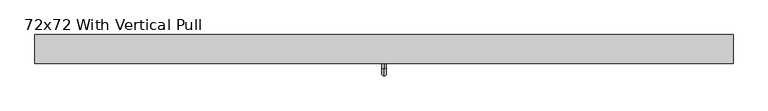
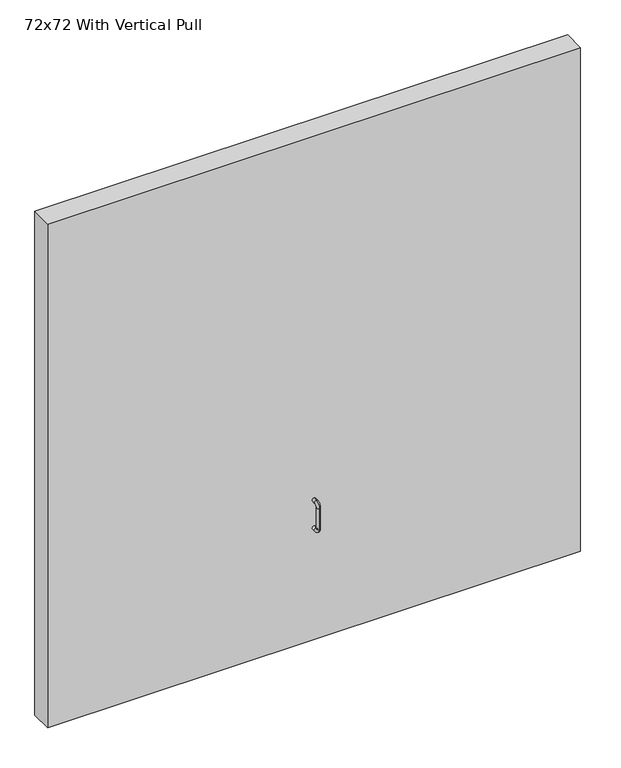
"""IFC4 building model written with IfcOpenShell, lengths in millimetres: furniture geometry, 72x72 With Vertical Pull."""

import ifcopenshell
import ifcopenshell.guid

model = None  # the IFC model being written
_history = None  # IfcOwnerHistory: only IFC2X3 demands one
_inside = {}  # id of a spatial element -> (the spatial element, [elements in it])
_under = {}  # id of a project, library or spatial element -> (it, [spatial elements below it])
_declared = {}  # id of a project -> (the project, [libraries it declares])
_typed = {}  # id of a type object -> (the type object, [elements of that type])
_made_of = {}  # id of a material, layer set ... -> (it, [elements and type objects made of it])


def new_model(schema):
    """Start an empty IFC model of exactly this schema.

    Asked for "IFC4X3", IfcOpenShell would pick the latest addendum, in which some entities
    have other attributes; the version numbers below select the first issue.
    IFC2X3 requires an IfcOwnerHistory on every rooted entity: one is made here for all.
    """
    global model, _history
    if schema == "IFC4X3":
        model = ifcopenshell.file(schema_version=(4, 3, 0, 0))
    else:
        model = ifcopenshell.file(schema=schema)
    _inside.clear()
    _under.clear()
    _declared.clear()
    _typed.clear()
    _made_of.clear()
    _history = None
    if model.schema == "IFC2X3":
        org = make("IfcOrganization", Name="unknown")
        user = make(
            "IfcPersonAndOrganization",
            ThePerson=make("IfcPerson", FamilyName="unknown"),
            TheOrganization=org,
        )
        app = make(
            "IfcApplication",
            ApplicationDeveloper=org,
            Version="unknown",
            ApplicationFullName="unknown",
            ApplicationIdentifier="unknown",
        )
        _history = make(
            "IfcOwnerHistory",
            OwningUser=user,
            OwningApplication=app,
            ChangeAction="ADDED",
            CreationDate=0,
        )
    return model


def make(cls, **values):
    """One entity of the class cls with the attributes given. An attribute that is None is left unset."""
    return model.create_entity(
        cls, **{name: value for name, value in values.items() if value is not None}
    )


def rooted(cls, **values):
    """An entity with a GlobalId (a new one), such as an element, a storey or a relation."""
    return make(cls, GlobalId=ifcopenshell.guid.new(), OwnerHistory=_history, **values)


def si_unit(unit_type, name, prefix=None):
    """IfcSIUnit, for example si_unit("LENGTHUNIT", "METRE", prefix="MILLI")."""
    return make("IfcSIUnit", UnitType=unit_type, Prefix=prefix, Name=name)


def assignment(units):
    """IfcUnitAssignment: the units of a project."""
    return None if units is None else make("IfcUnitAssignment", Units=units)


def point(xyz):
    """IfcCartesianPoint."""
    return None if xyz is None else make("IfcCartesianPoint", Coordinates=xyz)


def direction(xyz):
    """IfcDirection."""
    return None if xyz is None else make("IfcDirection", DirectionRatios=xyz)


def frame(location, z_axis=None, x_axis=None):
    """IfcAxis2Placement3D, a coordinate frame: its origin and axes. An axis left out is left unset."""
    return make(
        "IfcAxis2Placement3D",
        Location=point(location),
        Axis=direction(z_axis),
        RefDirection=direction(x_axis),
    )


def origin():
    """The frame at (0, 0, 0) with its axes left unset."""
    return frame((0.0, 0.0, 0.0))


def origin_with_axes():
    """The frame at (0, 0, 0) with the z axis (0, 0, 1) and the x axis (1, 0, 0) written out."""
    return frame((0.0, 0.0, 0.0), z_axis=(0.0, 0.0, 1.0), x_axis=(1.0, 0.0, 0.0))


def place(relative_to, where):
    """IfcLocalPlacement: puts the frame where relative to a parent placement (None: the world)."""
    return make(
        "IfcLocalPlacement", PlacementRelTo=relative_to, RelativePlacement=where
    )


def context(
    kind, dimensions, precision=None, world=None, true_north=None, identifier=None
):
    """IfcGeometricRepresentationContext, for example the 3D "Model" context."""
    return make(
        "IfcGeometricRepresentationContext",
        ContextIdentifier=identifier,
        ContextType=kind,
        CoordinateSpaceDimension=dimensions,
        Precision=precision,
        WorldCoordinateSystem=world,
        TrueNorth=true_north,
    )


def project(units=None, contexts=None):
    """IfcProject with its units and contexts."""
    return rooted(
        "IfcProject",
        Name="project",
        RepresentationContexts=contexts,
        UnitsInContext=assignment(units),
    )


def spatial(cls, under=None, at=None, **own):
    """A site, building, storey or space (cls), placed at a placement, below another one or the project."""
    s = rooted(cls, ObjectPlacement=at, **own)
    if under is not None:
        _under.setdefault(under.id(), (under, []))[1].append(s)
    return s


def polyline(points):
    """IfcPolyline through the points."""
    return make("IfcPolyline", Points=[point(p) for p in points])


def circle_curve(where, radius):
    """IfcCircle in the frame where."""
    return make("IfcCircle", Position=where, Radius=radius)


def ellipse_curve(where, semi_axis1, semi_axis2):
    """IfcEllipse in the frame where."""
    return make(
        "IfcEllipse", Position=where, SemiAxis1=semi_axis1, SemiAxis2=semi_axis2
    )


def trimmed(basis, trim1, trim2, sense, master):
    """IfcTrimmedCurve: the piece of a basis curve between two trims."""
    return make(
        "IfcTrimmedCurve",
        BasisCurve=basis,
        Trim1=trim1,
        Trim2=trim2,
        SenseAgreement=sense,
        MasterRepresentation=master,
    )


def outline(outer, holes=None, kind="AREA"):
    """IfcArbitraryClosedProfileDef: a profile drawn as a closed curve; with holes, ...WithVoids."""
    if holes is None:
        return make("IfcArbitraryClosedProfileDef", ProfileType=kind, OuterCurve=outer)
    return make(
        "IfcArbitraryProfileDefWithVoids",
        ProfileType=kind,
        OuterCurve=outer,
        InnerCurves=holes,
    )


def extrude(swept, where, along, depth):
    """IfcExtrudedAreaSolid: the profile swept, set in the frame where, extruded along a direction by depth."""
    return make(
        "IfcExtrudedAreaSolid",
        SweptArea=swept,
        Position=where,
        ExtrudedDirection=direction(along),
        Depth=depth,
    )


def shape(context_of_items, identifier, shape_type, items):
    """IfcShapeRepresentation: the items that make up one representation, for example the "Body"."""
    return make(
        "IfcShapeRepresentation",
        ContextOfItems=context_of_items,
        RepresentationIdentifier=identifier,
        RepresentationType=shape_type,
        Items=items,
    )


def source(mapping_origin, context_of_items, identifier, shape_type, items):
    """IfcRepresentationMap: a shape defined once, which mapped items show again and again."""
    return make(
        "IfcRepresentationMap",
        MappingOrigin=mapping_origin,
        MappedRepresentation=shape(context_of_items, identifier, shape_type, items),
    )


def transform(
    local_origin,
    x_axis=None,
    y_axis=None,
    z_axis=None,
    scale=None,
    scale2=None,
    scale3=None,
    uniform=True,
):
    """IfcCartesianTransformationOperator3D, or its non-uniform kind. x_axis, y_axis, z_axis: its Axis1, 2, 3."""
    if uniform:
        return make(
            "IfcCartesianTransformationOperator3D",
            Axis1=direction(x_axis),
            Axis2=direction(y_axis),
            LocalOrigin=point(local_origin),
            Scale=scale,
            Axis3=direction(z_axis),
        )
    return make(
        "IfcCartesianTransformationOperator3DnonUniform",
        Axis1=direction(x_axis),
        Axis2=direction(y_axis),
        LocalOrigin=point(local_origin),
        Scale=scale,
        Axis3=direction(z_axis),
        Scale2=scale2,
        Scale3=scale3,
    )


def mapped(mapping_source, mapping_target):
    """IfcMappedItem: shows the shape of a source again, moved by a transform."""
    return make(
        "IfcMappedItem", MappingSource=mapping_source, MappingTarget=mapping_target
    )


def made_of(thing, what):
    """Note that an element or type object is made of a material, layer set ...; save() writes the relation."""
    if what is not None:
        _made_of.setdefault(what.id(), (what, []))[1].append(thing)
    return thing


def element(
    cls,
    number,
    at=None,
    inside=None,
    cuts=None,
    type_object=None,
    material=None,
    context=None,
    identifier="Body",
    shape_type=None,
    held_by="IfcProductDefinitionShape",
    body=None,
    shapes=None,
    **own,
):
    """One element of the class cls, such as IfcWall. Its Tag is "e" and its number.

    at: its placement. inside: the storey or other place that contains it. cuts: it is an
    opening in that element (IfcRelVoidsElement). A single representation is given by context,
    identifier, shape_type and body (its items); several are given by shapes. held_by: the class
    of the entity that holds the representations. save() writes the other relations.
    """
    e = rooted(cls, Tag="e%d" % number, ObjectPlacement=at, **own)
    if body is not None:
        shapes = [shape(context, identifier, shape_type, body)]
    if shapes is not None:
        e.Representation = make(held_by, Representations=shapes)
    if inside is not None:
        _inside.setdefault(inside.id(), (inside, []))[1].append(e)
    if cuts is not None:
        rooted(
            "IfcRelVoidsElement", RelatingBuildingElement=cuts, RelatedOpeningElement=e
        )
    if type_object is not None:
        _typed.setdefault(type_object.id(), (type_object, []))[1].append(e)
    return made_of(e, material)


def aggregate(whole, parts):
    """IfcRelAggregates: a whole, such as a stair, and the parts it consists of."""
    return rooted("IfcRelAggregates", RelatingObject=whole, RelatedObjects=parts)


def save(model, path):
    """Write the relations noted so far, then the file.

    IfcRelAggregates (storeys below a building ...), IfcRelContainedInSpatialStructure (elements
    in a storey), IfcRelDefinesByType, IfcRelAssociatesMaterial and IfcRelDeclares: one each for
    every whole, place, type object, material and project.
    """
    for whole, parts in _under.values():
        aggregate(whole, parts)
    for where, things in _inside.values():
        rooted(
            "IfcRelContainedInSpatialStructure",
            RelatedElements=things,
            RelatingStructure=where,
        )
    for kind, things in _typed.values():
        rooted("IfcRelDefinesByType", RelatedObjects=things, RelatingType=kind)
    for what, things in _made_of.values():
        rooted("IfcRelAssociatesMaterial", RelatedObjects=things, RelatingMaterial=what)
    for by, libraries in _declared.values():
        rooted("IfcRelDeclares", RelatingContext=by, RelatedDefinitions=libraries)
    model.write(path)


def plane_surface(at):
    """IfcPlane: the flat surface through the origin of the frame at, square to its z axis."""
    return make("IfcPlane", Position=at)


def cylinder_surface(at, radius):
    """IfcCylindricalSurface: all points at the distance radius from the z axis of the frame at."""
    return make("IfcCylindricalSurface", Position=at, Radius=radius)


def revolved_surface(curve, axis_point, axis_direction):
    """IfcSurfaceOfRevolution: the curve turned about the line through axis_point along axis_direction."""
    return make(
        "IfcSurfaceOfRevolution",
        SweptCurve=make("IfcArbitraryOpenProfileDef", ProfileType="CURVE", Curve=curve),
        AxisPosition=make("IfcAxis1Placement", Location=point(axis_point), Axis=direction(axis_direction)),
    )


def advanced_brep(points, edges, surfaces, faces):
    """IfcAdvancedBrep: a solid bounded by faces that lie on surfaces and meet in shared edges.

    An edge is (start, end): straight between two places in points (the first is 0);
    or (start, end, curve); or (start, end, curve, False) where it runs against its curve.
    A face is (place in surfaces, loops), or (place, loops, False) where it looks against
    its surface's normal. A loop lists edges by number (the first is 1), with a minus sign
    where the edge is run from its end to its start. The first loop is the outer one.
    """
    corners = [point(p) for p in points]
    vertices = [make("IfcVertexPoint", VertexGeometry=c) for c in corners]
    made = []
    for start, end, *more in edges:
        made.append(
            make(
                "IfcEdgeCurve",
                EdgeStart=vertices[start],
                EdgeEnd=vertices[end],
                EdgeGeometry=more[0] if more else make("IfcPolyline", Points=[corners[start], corners[end]]),
                SameSense=more[1] if len(more) > 1 else True,
            )
        )
    hull = []
    for where, loops, *sense in faces:
        bounds = []
        for j, loop in enumerate(loops):
            ring = [make("IfcOrientedEdge", EdgeElement=made[abs(k) - 1], Orientation=k > 0) for k in loop]
            bounds.append(
                make(
                    "IfcFaceOuterBound" if j == 0 else "IfcFaceBound",
                    Bound=make("IfcEdgeLoop", EdgeList=ring),
                    Orientation=True,
                )
            )
        hull.append(make("IfcAdvancedFace", Bounds=bounds, FaceSurface=surfaces[where], SameSense=sense[0] if sense else True))
    return make("IfcAdvancedBrep", Outer=make("IfcClosedShell", CfsFaces=hull))


def furniture_72x72_with_vertical_pull_bdd29eb8(model_context):
    return source(origin(), model_context, "Body", "SolidModel", [
        advanced_brep(
        [(18.7377049, -76.2, 501.7027492), (18.7377049, -76.2, 514.4027492), (18.7377049, -88.9, 501.7027492), (18.7377049, -88.9, 514.4027492), (18.7377049, -107.95, 495.3527492), (18.7377049, -95.25, 495.3527492), (18.7377049, -95.25, 419.1527492), (18.7377049, -107.95, 419.1527492), (18.7377049, -88.9, 400.1027492), (18.7377049, -88.9, 412.8027492), (18.7377049, -76.2, 412.8027492), (18.7377049, -76.2, 400.1027492)],
        [
            (0, 1, circle_curve(frame((18.7377049, -76.2, 508.0527492), z_axis=(0.0, 1.0, 0.0), x_axis=(0.0, 0.0, 1.0)), 6.35)),
            (1, 0, circle_curve(frame((18.7377049, -76.2, 508.0527492), z_axis=(0.0, 1.0, 0.0), x_axis=(0.0, 0.0, 1.0)), 6.35)),
            (0, 2),
            (2, 3, circle_curve(frame((18.7377049, -88.9, 508.0527492), z_axis=(0.0, 1.0, 0.0), x_axis=(0.0, 0.0, 1.0)), 6.35)),
            (3, 1),
            (3, 2, circle_curve(frame((18.7377049, -88.9, 508.0527492), z_axis=(0.0, 1.0, 0.0), x_axis=(0.0, 0.0, 1.0)), 6.35)),
            (4, 3, circle_curve(frame((18.7377049, -88.9, 495.3527492), z_axis=(-1.0, 0.0, 0.0), x_axis=(0.0, 0.0, 1.0)), 19.05)),
            (2, 5, circle_curve(frame((18.7377049, -88.9, 495.3527492), z_axis=(1.0, 0.0, 0.0), x_axis=(0.0, 0.0, 1.0)), 6.35)),
            (5, 4, circle_curve(frame((18.7377049, -101.6, 495.3527492), z_axis=(0.0, 0.0, 1.0), x_axis=(0.0, -1.0, 0.0)), 6.35)),
            (4, 5, circle_curve(frame((18.7377049, -101.6, 495.3527492), z_axis=(0.0, 0.0, 1.0), x_axis=(0.0, -1.0, 0.0)), 6.35)),
            (5, 6),
            (6, 7, circle_curve(frame((18.7377049, -101.6, 419.1527492), z_axis=(0.0, 0.0, 1.0), x_axis=(0.0, -1.0, 0.0)), 6.35)),
            (7, 4),
            (7, 6, circle_curve(frame((18.7377049, -101.6, 419.1527492), z_axis=(0.0, 0.0, 1.0), x_axis=(0.0, -1.0, 0.0)), 6.35)),
            (8, 7, circle_curve(frame((18.7377049, -88.9, 419.1527492), z_axis=(-1.0, 0.0, 0.0), x_axis=(0.0, -1.0, 0.0)), 19.05)),
            (6, 9, circle_curve(frame((18.7377049, -88.9, 419.1527492), z_axis=(1.0, 0.0, 0.0), x_axis=(0.0, -1.0, 0.0)), 6.35)),
            (9, 8, circle_curve(frame((18.7377049, -88.9, 406.4527492), z_axis=(0.0, -1.0, 0.0), x_axis=(0.0, 0.0, -1.0)), 6.35)),
            (8, 9, circle_curve(frame((18.7377049, -88.9, 406.4527492), z_axis=(0.0, -1.0, 0.0), x_axis=(0.0, 0.0, -1.0)), 6.35)),
            (10, 11, circle_curve(frame((18.7377049, -76.2, 406.4527492), z_axis=(0.0, 1.0, 0.0), x_axis=(0.0, 0.0, -1.0)), 6.35)),
            (11, 10, circle_curve(frame((18.7377049, -76.2, 406.4527492), z_axis=(0.0, 1.0, 0.0), x_axis=(0.0, 0.0, -1.0)), 6.35)),
            (9, 10),
            (11, 8),
        ],
        [
            plane_surface(frame((12.3877049, -76.2, 508.0527492), z_axis=(0.0, 1.0, 0.0), x_axis=(0.0, 0.0, -1.0))),
            cylinder_surface(frame((18.7377049, -76.2, 508.0527492), z_axis=(0.0, 1.0, 0.0), x_axis=(0.0, 0.0, 1.0)), 6.35),
            revolved_surface(trimmed(ellipse_curve(frame((18.7377049, -88.9, 508.0527492), z_axis=(0.0, 1.0, 0.0), x_axis=(0.0, 0.0, 1.0)), 6.35, 6.35), [point((18.7377049, -88.9, 501.7027492))], [point((18.7377049, -88.9, 514.4027492))], True, "CARTESIAN"), (18.7377049, -88.9, 495.3527492), (1.0, 0.0, 0.0)),
            revolved_surface(trimmed(ellipse_curve(frame((18.7377049, -88.9, 508.0527492), z_axis=(0.0, 1.0, 0.0), x_axis=(0.0, 0.0, 1.0)), 6.35, 6.35), [point((18.7377049, -88.9, 514.4027492))], [point((18.7377049, -88.9, 501.7027492))], True, "CARTESIAN"), (18.7377049, -88.9, 495.3527492), (1.0, 0.0, 0.0)),
            cylinder_surface(frame((18.7377049, -101.6, 495.3527492), z_axis=(0.0, 0.0, 1.0), x_axis=(0.0, -1.0, 0.0)), 6.35),
            revolved_surface(trimmed(ellipse_curve(frame((18.7377049, -101.6, 419.1527492), z_axis=(0.0, 0.0, 1.0), x_axis=(0.0, -1.0, 0.0)), 6.35, 6.35), [point((18.7377049, -95.25, 419.1527492))], [point((18.7377049, -107.95, 419.1527492))], True, "CARTESIAN"), (18.7377049, -88.9, 419.1527492), (1.0, 0.0, 0.0)),
            revolved_surface(trimmed(ellipse_curve(frame((18.7377049, -101.6, 419.1527492), z_axis=(0.0, 0.0, 1.0), x_axis=(0.0, -1.0, 0.0)), 6.35, 6.35), [point((18.7377049, -107.95, 419.1527492))], [point((18.7377049, -95.25, 419.1527492))], True, "CARTESIAN"), (18.7377049, -88.9, 419.1527492), (1.0, 0.0, 0.0)),
            plane_surface(frame((12.3877049, -76.2, 406.4527492), z_axis=(0.0, 1.0, 0.0), x_axis=(0.0, 0.0, 1.0))),
            cylinder_surface(frame((18.7377049, -88.9, 406.4527492), z_axis=(0.0, -1.0, 0.0), x_axis=(0.0, 0.0, -1.0)), 6.35),
        ],
        [
            (0, [[1, 2]]),
            (1, [[-1, 3, 4, 5]]),
            (1, [[-2, -5, 6, -3]]),
            (2, [[7, -4, 8, 9]]),
            (3, [[-8, -6, -7, 10]]),
            (4, [[-9, 11, 12, 13]]),
            (4, [[-10, -13, 14, -11]]),
            (5, [[15, -12, 16, 17]]),
            (6, [[-16, -14, -15, 18]]),
            (7, [[19, 20]]),
            (8, [[-17, 21, -20, 22]]),
            (8, [[-18, -22, -19, -21]]),
        ],
    ),
        extrude(outline(polyline([(933.1377049, 0.0), (933.1377049, -76.2), (-895.6622951, -76.2), (-895.6622951, 0.0), (933.1377049, 0.0)])), origin_with_axes(), (0.0, 0.0, 1.0), 1828.8),
    ])


if __name__ == "__main__":
    model = new_model("IFC4")
    model_context = context("Model", 3, world=origin())
    ifc_project = project(units=[si_unit("LENGTHUNIT", "METRE", prefix="MILLI")], contexts=[model_context])
    site = spatial("IfcSite", under=ifc_project)
    building = spatial("IfcBuilding", under=site)
    placement = place(None, origin())
    furniture_72x72_with_vertical_pull_shape = furniture_72x72_with_vertical_pull_bdd29eb8(model_context)
    element("IfcFurniture", 1, ObjectType="72x72 With Vertical Pull", at=placement, inside=building, context=model_context, shape_type="MappedRepresentation", body=[
        mapped(furniture_72x72_with_vertical_pull_shape, transform((0.0, 0.0, 0.0), x_axis=(1.0, 0.0, 0.0), y_axis=(0.0, 1.0, 0.0), z_axis=(0.0, 0.0, 1.0))),
    ])
    save(model, "model.ifc")
